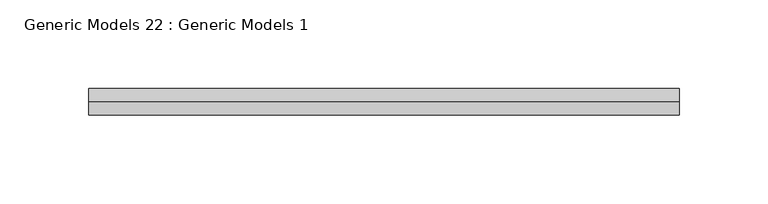
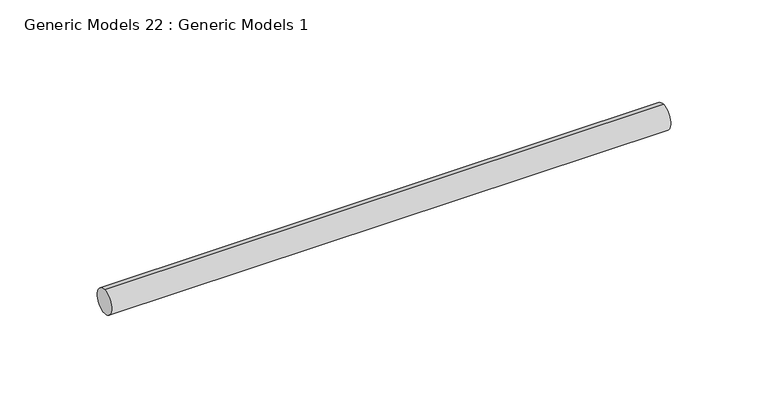
"""IFC4 building model written with IfcOpenShell, lengths in millimetres: proxy geometry, Generic Models 22 : Generic Models 1."""

from ifc_helpers import new_model, si_unit, point, frame, frame_2d, origin, place, context, project, spatial, circle_curve, trimmed, segment, composite_curve, outline, extrude, source, transform, mapped, element, save


def generic_models_22_generic_models_1_13417a7b(model_context):
    return source(origin(), model_context, "Body", "SweptSolid", [
        extrude(outline(composite_curve([segment(trimmed(circle_curve(frame_2d((400.3057469, -818.1141294)), 7.5), [point((400.3057469, -825.6141294))], [point((400.3057469, -810.6141294))], False, "CARTESIAN"), True, "CONTINUOUS"), segment(trimmed(circle_curve(frame_2d((400.3057469, -818.1141294)), 7.5), [point((400.3057469, -810.6141294))], [point((400.3057469, -825.6141294))], False, "CARTESIAN"), True, "CONTINUOUS")], self_intersect=False)), frame((4979.746064, 0.0, 0.0), z_axis=(1.0, 0.0, 0.0), x_axis=(0.0, 1.0, 0.0)), (0.0, 0.0, 1.0), 332.0),
    ])


if __name__ == "__main__":
    model = new_model("IFC4")
    model_context = context("Model", 3, world=origin())
    ifc_project = project(units=[si_unit("LENGTHUNIT", "METRE", prefix="MILLI")], contexts=[model_context])
    site = spatial("IfcSite", under=ifc_project)
    building = spatial("IfcBuilding", under=site)
    placement = place(None, origin())
    generic_models_22_generic_models_1_shape = generic_models_22_generic_models_1_13417a7b(model_context)
    element("IfcBuildingElementProxy", 1, Name="Generic Models 22 : Generic Models 1", ObjectType="Generic Models 22 : Generic Models 1", at=placement, inside=building, context=model_context, shape_type="MappedRepresentation", body=[
        mapped(generic_models_22_generic_models_1_shape, transform((0.0, 0.0, 0.0), x_axis=(1.0, 0.0, 0.0), y_axis=(0.0, 1.0, 0.0), z_axis=(0.0, 0.0, 1.0))),
    ])
    save(model, "model.ifc")
